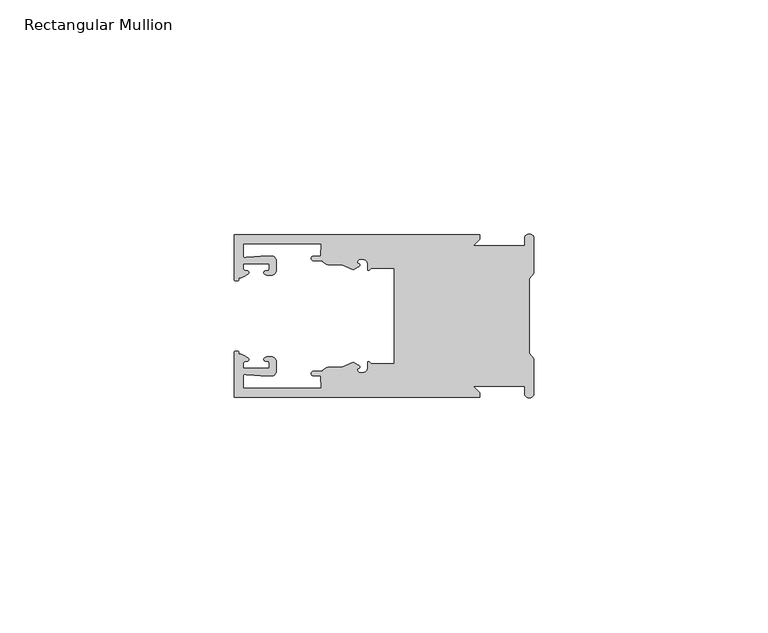
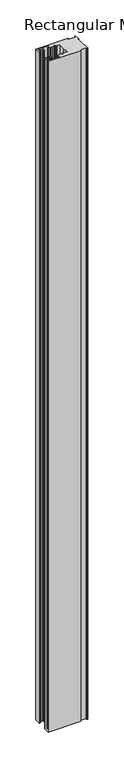
"""IFC4 building model written with IfcOpenShell, lengths in millimetres: member geometry, Rectangular Mullion."""

from ifc_helpers import new_model, si_unit, frame, origin, place, context, project, spatial, polyline, circle_curve, source, transform, mapped, element, save
from ifc_brep_helpers import plane_surface, cylinder_surface, revolved_surface, extruded_surface, spline_curve, advanced_brep


def rectangular_mullion_e4f1830d(model_context):
    return source(origin(), model_context, "Body", "AdvancedBrep", [
        advanced_brep(
        [(-11.5387897, 17.4000478, 0.0), (-64.0387868, 17.4000478, 0.0), (-64.0387868, 7.8350057, 0.0), (-63.2884687, 7.5412947, 0.0), (-62.4614154, 8.1921895, 0.0), (-62.0410649, 9.9426451, 0.0), (-62.0424168, 11.1926444, 0.0), (-56.54242, 11.1985924, 0.0), (-56.5410682, 9.9485931, 0.0), (-57.1085345, 8.7314723, 0.0), (-56.0397166, 8.6991345, 0.0), (-55.0407987, 9.7002154, 0.0), (-55.0430697, 11.8002142, 0.0), (-56.0446364, 12.7991315, 0.0), (-58.3650753, 12.7954945, 0.0), (-61.1340054, 12.5502269, 0.0), (-62.044093, 12.7426435, 0.0), (-62.0469668, 15.4000478, 0.0), (-45.4240312, 15.4000478, 0.0), (-45.5732135, 12.8000478, 0.0), (-47.0387868, 12.8000478, 0.0), (-47.0387868, 11.8000478, 0.0), (-45.2543363, 11.8000478, 0.0), (-43.6387868, 10.9000478, 0.0), (-41.0454034, 10.9000478, 0.0), (-38.5697136, 9.8718293, 0.0), (-37.5387868, 10.4670351, 0.0), (-37.6803436, 11.4201497, 0.0), (-37.0270763, 12.1583697, 0.0), (-36.2010815, 12.0127245, 0.0), (-35.54, 11.2248783, 0.0), (-35.54, 10.0, 0.0), (-34.7705791, 10.25, 0.0), (-29.79, 10.25, 0.0), (-29.79, 0.0, 0.0), (-29.79, -10.25, 0.0), (-34.7705791, -10.25, 0.0), (-35.54, -10.0, 0.0), (-35.54, -11.2248783, 0.0), (-36.2010815, -12.0127245, 0.0), (-37.0270763, -12.1583697, 0.0), (-37.6803436, -11.4201497, 0.0), (-37.5387868, -10.4670351, 0.0), (-38.5697136, -9.8718293, 0.0), (-41.0454034, -10.9000478, 0.0), (-43.6387868, -10.9000478, 0.0), (-45.2543363, -11.8000478, 0.0), (-47.0387868, -11.8000478, 0.0), (-47.0387868, -12.8000478, 0.0), (-45.5732135, -12.8000478, 0.0), (-45.4240312, -15.4000478, 0.0), (-62.0469668, -15.4000478, 0.0), (-62.044093, -12.7426435, 0.0), (-61.1340054, -12.5502269, 0.0), (-58.3650753, -12.7954945, 0.0), (-56.0446364, -12.7991314, 0.0), (-55.0430697, -11.8002142, 0.0), (-55.0407987, -9.7002154, 0.0), (-56.0397166, -8.6991345, 0.0), (-57.1085345, -8.7314723, 0.0), (-56.5410682, -9.9485931, 0.0), (-56.54242, -11.1985924, 0.0), (-62.0424168, -11.1926444, 0.0), (-62.0410649, -9.9426451, 0.0), (-62.4614154, -8.1921895, 0.0), (-63.2884687, -7.5412947, 0.0), (-64.0387868, -7.8350057, 0.0), (-64.0387868, -17.4000478, 0.0), (-11.5387897, -17.4000478, 0.0), (-11.5387897, -16.4000449, 0.0), (-12.9388346, -15.0, 0.0), (-2.0, -15.0, 0.0), (-2.0, -16.5, 0.0), (0.0, -16.5, 0.0), (0.0, -9.1160254, 0.0), (-1.0, -7.9613249, 0.0), (-1.0, 0.0, 0.0), (-1.0, 7.9613249, 0.0), (0.0, 9.1160254, 0.0), (0.0, 16.5, 0.0), (-2.0, 16.5, 0.0), (-2.0, 15.0, 0.0), (-12.9388346, 15.0, 0.0), (-11.5387897, 16.4000449, 0.0), (-11.5387897, 17.4000478, -1142.5000002), (-11.5387897, 16.4000449, -1142.5000002), (-12.9388346, 15.0, -1142.5000002), (-2.0, 15.0, -1142.5000002), (-2.0, 16.5, -1142.5000002), (0.0, 16.5, -1142.5000002), (0.0, 9.1160254, -1142.5000002), (-1.0, 7.9613249, -1142.5000002), (-1.0, 0.0, -1142.5000002), (-1.0, -7.9613249, -1142.5000002), (0.0, -9.1160254, -1142.5000002), (0.0, -16.5, -1142.5000002), (-2.0, -16.5, -1142.5000002), (-2.0, -15.0, -1142.5000002), (-12.9388346, -15.0, -1142.5000002), (-11.5387897, -16.4000449, -1142.5000002), (-11.5387897, -17.4000478, -1142.5000002), (-64.0387868, -17.4000478, -1142.5000002), (-64.0387868, -7.8350057, -1142.5000002), (-63.2884687, -7.5412947, -1142.5000002), (-62.4614154, -8.1921895, -1142.5000002), (-62.0410649, -9.9426451, -1142.5000002), (-62.0424168, -11.1926444, -1142.5000002), (-56.54242, -11.1985924, -1142.5000002), (-56.5410682, -9.9485931, -1142.5000002), (-57.1085345, -8.7314723, -1142.5000002), (-56.0397166, -8.6991345, -1142.5000002), (-55.0407987, -9.7002154, -1142.5000002), (-55.0430697, -11.8002142, -1142.5000002), (-56.0446364, -12.7991315, -1142.5000002), (-58.3650753, -12.7954945, -1142.5000002), (-61.1340054, -12.5502269, -1142.5000002), (-62.044093, -12.7426435, -1142.5000002), (-62.0469668, -15.4000478, -1142.5000002), (-45.4240312, -15.4000478, -1142.5000002), (-45.5732135, -12.8000478, -1142.5000002), (-47.0387868, -12.8000478, -1142.5000002), (-47.0387868, -11.8000478, -1142.5000002), (-45.2543363, -11.8000478, -1142.5000002), (-43.6387868, -10.9000478, -1142.5000002), (-41.0454034, -10.9000478, -1142.5000002), (-38.5697136, -9.8718293, -1142.5000002), (-37.5387868, -10.4670351, -1142.5000002), (-37.6803436, -11.4201497, -1142.5000002), (-37.0270763, -12.1583697, -1142.5000002), (-36.2010815, -12.0127245, -1142.5000002), (-35.54, -11.2248783, -1142.5000002), (-35.54, -10.0, -1142.5000002), (-34.7705791, -10.25, -1142.5000002), (-29.79, -10.25, -1142.5000002), (-29.79, 0.0, -1142.5000002), (-29.79, 10.25, -1142.5000002), (-34.7705791, 10.25, -1142.5000002), (-35.54, 10.0, -1142.5000002), (-35.54, 11.2248783, -1142.5000002), (-36.2010815, 12.0127245, -1142.5000002), (-37.0270763, 12.1583697, -1142.5000002), (-37.6803436, 11.4201497, -1142.5000002), (-37.5387868, 10.4670351, -1142.5000002), (-38.5697136, 9.8718293, -1142.5000002), (-41.0454034, 10.9000478, -1142.5000002), (-43.6387868, 10.9000478, -1142.5000002), (-45.2543363, 11.8000478, -1142.5000002), (-47.0387868, 11.8000478, -1142.5000002), (-47.0387868, 12.8000478, -1142.5000002), (-45.5732135, 12.8000478, -1142.5000002), (-45.4240312, 15.4000478, -1142.5000002), (-62.0469668, 15.4000478, -1142.5000002), (-62.044093, 12.7426435, -1142.5000002), (-61.1340054, 12.5502269, -1142.5000002), (-58.3650753, 12.7954945, -1142.5000002), (-56.0446364, 12.7991314, -1142.5000002), (-55.0430697, 11.8002142, -1142.5000002), (-55.0407987, 9.7002154, -1142.5000002), (-56.0397166, 8.6991345, -1142.5000002), (-57.1085345, 8.7314723, -1142.5000002), (-56.5410682, 9.9485931, -1142.5000002), (-56.54242, 11.1985924, -1142.5000002), (-62.0424168, 11.1926444, -1142.5000002), (-62.0410649, 9.9426451, -1142.5000002), (-62.4614154, 8.1921895, -1142.5000002), (-63.2884687, 7.5412947, -1142.5000002), (-64.0387868, 7.8350057, -1142.5000002), (-64.0387868, 17.4000478, -1142.5000002)],
        [
            (0, 1),
            (1, 2),
            (2, 3, spline_curve(3, [(-64.0387868, 7.8350057, 0.0), (-64.038491377, 7.561831774, 0.0), (-63.788385325, 7.463928087, 0.0), (-63.2884687, 7.5412947, 0.0)], [4, 4], [0.0, 0.0019169337574178654])),
            (3, 4, spline_curve(3, [(-63.2884687, 7.5412947, 0.0), (-63.057760917, 7.582232011, 0.0), (-63.018445067, 7.725390894, 0.0), (-63.019925494, 8.056436881, 0.0), (-63.103444208, 8.236386866, 0.0), (-62.4614154, 8.1921895, 0.0)], [4, 2, 4], [0.0, 0.0010199524164107188, 0.0024874514725970356])),
            (4, 5, spline_curve(3, [(-62.4614154, 8.1921895, 0.0), (-60.988497673, 8.880962536, 0.0), (-60.794045122, 9.192776957, 0.0), (-60.949808078, 9.57023562, 0.0), (-61.145214014, 9.682771697, 0.0), (-61.665835706, 9.714019003, 0.0), (-61.965242574, 9.660891484, 0.0), (-62.0410649, 9.9426451, 0.0)], [4, 2, 2, 4], [0.0, 0.003269869179570428, 0.005490050486237203, 0.0073545767114364426])),
            (5, 6),
            (6, 7),
            (7, 8),
            (8, 9, spline_curve(3, [(-56.5410682, 9.9485931, 0.0), (-56.634838635, 9.597117104, 0.0), (-56.904956774, 9.698238818, 0.0), (-57.324171444, 9.731086209, 0.0), (-57.45969165, 9.646199885, 0.0), (-57.729003352, 9.346016011, 0.0), (-57.859492582, 9.113082158, 0.0), (-57.1085345, 8.7314723, 0.0)], [4, 2, 2, 4], [0.0, 0.001593963049934732, 0.0033360256320283306, 0.005339140673503943])),
            (9, 10),
            (10, 11, circle_curve(frame((-56.0407981, 9.699134, 0.0), z_axis=(0.0, 0.0, 1.0), x_axis=(0.0010814451158627505, -0.9999994152380598, 0.0)), 1.0)),
            (11, 12),
            (12, 13, circle_curve(frame((-56.0430691, 11.7991327, 0.0), z_axis=(0.0, 0.0, 1.0), x_axis=(0.0010814451158627505, -0.9999994152380598, 0.0)), 1.0)),
            (13, 14),
            (14, 15),
            (15, 16, spline_curve(3, [(-61.1340054, 12.5502269, 0.0), (-61.605485428, 12.508463911, 0.0), (-61.992111419, 12.303164326, 0.0), (-62.044093, 12.7426435, 0.0)], [4, 4], [0.0, 0.0014803385355886016])),
            (16, 17),
            (17, 18),
            (18, 19),
            (19, 20),
            (20, 21, circle_curve(frame((-47.0387868, 12.3000478, 0.0), z_axis=(0.0, 0.0, 1.0), x_axis=(0.0, -1.0, 0.0)), 0.5)),
            (21, 22),
            (22, 23, circle_curve(frame((-43.6387868, 12.8000478, 0.0), z_axis=(0.0, 0.0, 1.0), x_axis=(0.0, -1.0, 0.0)), 1.9)),
            (23, 24),
            (24, 25),
            (25, 26),
            (26, 27, spline_curve(3, [(-37.5387868, 10.4670351, 0.0), (-36.973919853, 10.833863985, 0.0), (-37.198159645, 11.135696286, 0.0), (-37.587892011, 11.260246073, 0.0), (-37.754584192, 11.180452419, 0.0), (-37.6803436, 11.4201497, 0.0)], [4, 2, 4], [0.0, 0.0019283703160353726, 0.003394584635652914])),
            (27, 28, circle_curve(frame((-37.0434863, 11.5147359, 0.0), z_axis=(0.0, 0.0, -1.0), x_axis=(0.0, -1.0, 0.0)), 0.643843)),
            (28, 29),
            (29, 30, circle_curve(frame((-36.34, 11.2248783, 0.0), z_axis=(0.0, 0.0, -1.0), x_axis=(0.0, -1.0, 0.0)), 0.8)),
            (30, 31),
            (31, 32, spline_curve(3, [(-35.54, 10.0, 0.0), (-35.440000238, 9.598293201, 0.0), (-35.183526594, 9.681626535, 0.0), (-34.7705791, 10.25, 0.0)], [4, 4], [0.0, 0.0027473296990141553])),
            (32, 33),
            (33, 34),
            (34, 35),
            (35, 36),
            (36, 37, spline_curve(3, [(-34.7705791, -10.25, 0.0), (-35.183526594, -9.681626535, 0.0), (-35.440000238, -9.598293201, 0.0), (-35.54, -10.0, 0.0)], [4, 4], [0.0, 0.0027473296990141553])),
            (37, 38),
            (38, 39, circle_curve(frame((-36.34, -11.2248783, 0.0), z_axis=(0.0, 0.0, -1.0), x_axis=(0.0, 1.0, 0.0)), 0.8)),
            (39, 40),
            (40, 41, circle_curve(frame((-37.0434863, -11.5147359, 0.0), z_axis=(0.0, 0.0, -1.0), x_axis=(0.0, 1.0, 0.0)), 0.643843)),
            (41, 42, spline_curve(3, [(-37.6803436, -11.4201497, 0.0), (-37.754584192, -11.180452419, 0.0), (-37.587892011, -11.260246073, 0.0), (-37.198159645, -11.135696286, 0.0), (-36.973919853, -10.833863985, 0.0), (-37.5387868, -10.4670351, 0.0)], [4, 2, 4], [0.0, 0.0014662143196175414, 0.003394584635652914])),
            (42, 43),
            (43, 44),
            (44, 45),
            (45, 46, circle_curve(frame((-43.6387868, -12.8000478, 0.0), z_axis=(0.0, 0.0, 1.0), x_axis=(0.0, 1.0, 0.0)), 1.9)),
            (46, 47),
            (47, 48, circle_curve(frame((-47.0387868, -12.3000478, 0.0), z_axis=(0.0, 0.0, 1.0), x_axis=(0.0, 1.0, 0.0)), 0.5)),
            (48, 49),
            (49, 50),
            (50, 51),
            (51, 52),
            (52, 53, spline_curve(3, [(-62.044093, -12.7426435, 0.0), (-61.992111419, -12.303164326, 0.0), (-61.605485428, -12.508463911, 0.0), (-61.1340054, -12.5502269, 0.0)], [4, 4], [0.0, 0.0014803385355886016])),
            (53, 54),
            (54, 55),
            (55, 56, circle_curve(frame((-56.0430691, -11.7991327, 0.0), z_axis=(0.0, 0.0, 1.0), x_axis=(0.001081445115855867, 0.9999994152380598, 0.0)), 1.0)),
            (56, 57),
            (57, 58, circle_curve(frame((-56.0407981, -9.699134, 0.0), z_axis=(0.0, 0.0, 1.0), x_axis=(0.001081445115855867, 0.9999994152380598, 0.0)), 1.0)),
            (58, 59),
            (59, 60, spline_curve(3, [(-57.1085345, -8.7314723, 0.0), (-57.859492582, -9.113082158, 0.0), (-57.729003352, -9.346016011, 0.0), (-57.45969165, -9.646199885, 0.0), (-57.324171444, -9.731086209, 0.0), (-56.904956774, -9.698238818, 0.0), (-56.634838635, -9.597117104, 0.0), (-56.5410682, -9.9485931, 0.0)], [4, 2, 2, 4], [0.0, 0.002003115041475612, 0.0037451776235692107, 0.005339140673503943])),
            (60, 61),
            (61, 62),
            (62, 63),
            (63, 64, spline_curve(3, [(-62.0410649, -9.9426451, 0.0), (-61.965242574, -9.660891484, 0.0), (-61.665835706, -9.714019003, 0.0), (-61.145214014, -9.682771697, 0.0), (-60.949808078, -9.57023562, 0.0), (-60.794045122, -9.192776957, 0.0), (-60.988497673, -8.880962536, 0.0), (-62.4614154, -8.1921895, 0.0)], [4, 2, 2, 4], [0.0, 0.0018645262251992395, 0.004084707531866015, 0.0073545767114364426])),
            (64, 65, spline_curve(3, [(-62.4614154, -8.1921895, 0.0), (-63.103444208, -8.236386866, 0.0), (-63.019925494, -8.056436881, 0.0), (-63.018445067, -7.725390894, 0.0), (-63.057760917, -7.582232011, 0.0), (-63.2884687, -7.5412947, 0.0)], [4, 2, 4], [0.0, 0.0014674990561863168, 0.0024874514725970356])),
            (65, 66, spline_curve(3, [(-63.2884687, -7.5412947, 0.0), (-63.788385325, -7.463928087, 0.0), (-64.038491377, -7.561831774, 0.0), (-64.0387868, -7.8350057, 0.0)], [4, 4], [0.0, 0.0019169337574178654])),
            (66, 67),
            (67, 68),
            (68, 69),
            (69, 70),
            (70, 71),
            (71, 72),
            (72, 73, circle_curve(frame((-1.0, -16.5, 0.0), z_axis=(0.0, 0.0, 1.0), x_axis=(0.0, 1.0, 0.0)), 1.0)),
            (73, 74),
            (74, 75),
            (75, 76),
            (76, 77),
            (77, 78),
            (78, 79),
            (79, 80, circle_curve(frame((-1.0, 16.5, 0.0), z_axis=(0.0, 0.0, 1.0), x_axis=(0.0, -1.0, 0.0)), 1.0)),
            (80, 81),
            (81, 82),
            (82, 83),
            (83, 0),
            (84, 85),
            (85, 86),
            (86, 87),
            (87, 88),
            (88, 89, circle_curve(frame((-1.0, 16.5, -1142.5000002), z_axis=(0.0, 0.0, -1.0), x_axis=(0.0, -1.0, 0.0)), 1.0)),
            (89, 90),
            (90, 91),
            (91, 92),
            (92, 93),
            (93, 94),
            (94, 95),
            (95, 96, circle_curve(frame((-1.0, -16.5, -1142.5000002), z_axis=(0.0, 0.0, -1.0), x_axis=(0.0, 1.0, 0.0)), 1.0)),
            (96, 97),
            (97, 98),
            (98, 99),
            (99, 100),
            (100, 101),
            (101, 102),
            (102, 103, spline_curve(3, [(-64.0387868, -7.8350057, -1142.5000002), (-64.038491377, -7.561831774, -1142.5000002), (-63.788385325, -7.463928087, -1142.5000002), (-63.2884687, -7.5412947, -1142.5000002)], [4, 4], [0.0, 0.0019169337574178654])),
            (103, 104, spline_curve(3, [(-63.2884687, -7.5412947, -1142.5000002), (-63.057760917, -7.582232011, -1142.5000002), (-63.018445067, -7.725390894, -1142.5000002), (-63.019925494, -8.056436881, -1142.5000002), (-63.103444208, -8.236386866, -1142.5000002), (-62.4614154, -8.1921895, -1142.5000002)], [4, 2, 4], [0.0, 0.0010199524164107188, 0.0024874514725970356])),
            (104, 105, spline_curve(3, [(-62.4614154, -8.1921895, -1142.5000002), (-60.988497673, -8.880962536, -1142.5000002), (-60.794045122, -9.192776957, -1142.5000002), (-60.949808078, -9.57023562, -1142.5000002), (-61.145214014, -9.682771697, -1142.5000002), (-61.665835706, -9.714019003, -1142.5000002), (-61.965242574, -9.660891484, -1142.5000002), (-62.0410649, -9.9426451, -1142.5000002)], [4, 2, 2, 4], [0.0, 0.003269869179570428, 0.005490050486237203, 0.0073545767114364426])),
            (105, 106),
            (106, 107),
            (107, 108),
            (108, 109, spline_curve(3, [(-56.5410682, -9.9485931, -1142.5000002), (-56.634838635, -9.597117104, -1142.5000002), (-56.904956774, -9.698238818, -1142.5000002), (-57.324171444, -9.731086209, -1142.5000002), (-57.45969165, -9.646199885, -1142.5000002), (-57.729003352, -9.346016011, -1142.5000002), (-57.859492582, -9.113082158, -1142.5000002), (-57.1085345, -8.7314723, -1142.5000002)], [4, 2, 2, 4], [0.0, 0.001593963049934732, 0.0033360256320283306, 0.005339140673503943])),
            (109, 110),
            (110, 111, circle_curve(frame((-56.0407981, -9.699134, -1142.5000002), z_axis=(0.0, 0.0, -1.0), x_axis=(0.001081445115855867, 0.9999994152380598, 0.0)), 1.0)),
            (111, 112),
            (112, 113, circle_curve(frame((-56.0430691, -11.7991327, -1142.5000002), z_axis=(0.0, 0.0, -1.0), x_axis=(0.001081445115855867, 0.9999994152380598, 0.0)), 1.0)),
            (113, 114),
            (114, 115),
            (115, 116, spline_curve(3, [(-61.1340054, -12.5502269, -1142.5000002), (-61.605485428, -12.508463911, -1142.5000002), (-61.992111419, -12.303164326, -1142.5000002), (-62.044093, -12.7426435, -1142.5000002)], [4, 4], [0.0, 0.0014803385355886016])),
            (116, 117),
            (117, 118),
            (118, 119),
            (119, 120),
            (120, 121, circle_curve(frame((-47.0387868, -12.3000478, -1142.5000002), z_axis=(0.0, 0.0, -1.0), x_axis=(0.0, 1.0, 0.0)), 0.5)),
            (121, 122),
            (122, 123, circle_curve(frame((-43.6387868, -12.8000478, -1142.5000002), z_axis=(0.0, 0.0, -1.0), x_axis=(0.0, 1.0, 0.0)), 1.9)),
            (123, 124),
            (124, 125),
            (125, 126),
            (126, 127, spline_curve(3, [(-37.5387868, -10.4670351, -1142.5000002), (-36.973919853, -10.833863985, -1142.5000002), (-37.198159645, -11.135696286, -1142.5000002), (-37.587892011, -11.260246073, -1142.5000002), (-37.754584192, -11.180452419, -1142.5000002), (-37.6803436, -11.4201497, -1142.5000002)], [4, 2, 4], [0.0, 0.0019283703160353726, 0.003394584635652914])),
            (127, 128, circle_curve(frame((-37.0434863, -11.5147359, -1142.5000002), z_axis=(0.0, 0.0, 1.0), x_axis=(0.0, 1.0, 0.0)), 0.643843)),
            (128, 129),
            (129, 130, circle_curve(frame((-36.34, -11.2248783, -1142.5000002), z_axis=(0.0, 0.0, 1.0), x_axis=(0.0, 1.0, 0.0)), 0.8)),
            (130, 131),
            (131, 132, spline_curve(3, [(-35.54, -10.0, -1142.5000002), (-35.440000238, -9.598293201, -1142.5000002), (-35.183526594, -9.681626535, -1142.5000002), (-34.7705791, -10.25, -1142.5000002)], [4, 4], [0.0, 0.0027473296990141553])),
            (132, 133),
            (133, 134),
            (134, 135),
            (135, 136),
            (136, 137, spline_curve(3, [(-34.7705791, 10.25, -1142.5000002), (-35.183526594, 9.681626535, -1142.5000002), (-35.440000238, 9.598293201, -1142.5000002), (-35.54, 10.0, -1142.5000002)], [4, 4], [0.0, 0.0027473296990141553])),
            (137, 138),
            (138, 139, circle_curve(frame((-36.34, 11.2248783, -1142.5000002), z_axis=(0.0, 0.0, 1.0), x_axis=(0.0, -1.0, 0.0)), 0.8)),
            (139, 140),
            (140, 141, circle_curve(frame((-37.0434863, 11.5147359, -1142.5000002), z_axis=(0.0, 0.0, 1.0), x_axis=(0.0, -1.0, 0.0)), 0.643843)),
            (141, 142, spline_curve(3, [(-37.6803436, 11.4201497, -1142.5000002), (-37.754584192, 11.180452419, -1142.5000002), (-37.587892011, 11.260246073, -1142.5000002), (-37.198159645, 11.135696286, -1142.5000002), (-36.973919853, 10.833863985, -1142.5000002), (-37.5387868, 10.4670351, -1142.5000002)], [4, 2, 4], [0.0, 0.0014662143196175414, 0.003394584635652914])),
            (142, 143),
            (143, 144),
            (144, 145),
            (145, 146, circle_curve(frame((-43.6387868, 12.8000478, -1142.5000002), z_axis=(0.0, 0.0, -1.0), x_axis=(0.0, -1.0, 0.0)), 1.9)),
            (146, 147),
            (147, 148, circle_curve(frame((-47.0387868, 12.3000478, -1142.5000002), z_axis=(0.0, 0.0, -1.0), x_axis=(0.0, -1.0, 0.0)), 0.5)),
            (148, 149),
            (149, 150),
            (150, 151),
            (151, 152),
            (152, 153, spline_curve(3, [(-62.044093, 12.7426435, -1142.5000002), (-61.992111419, 12.303164326, -1142.5000002), (-61.605485428, 12.508463911, -1142.5000002), (-61.1340054, 12.5502269, -1142.5000002)], [4, 4], [0.0, 0.0014803385355886016])),
            (153, 154),
            (154, 155),
            (155, 156, circle_curve(frame((-56.0430691, 11.7991327, -1142.5000002), z_axis=(0.0, 0.0, -1.0), x_axis=(0.0010814451158627505, -0.9999994152380598, 0.0)), 1.0)),
            (156, 157),
            (157, 158, circle_curve(frame((-56.0407981, 9.699134, -1142.5000002), z_axis=(0.0, 0.0, -1.0), x_axis=(0.0010814451158627505, -0.9999994152380598, 0.0)), 1.0)),
            (158, 159),
            (159, 160, spline_curve(3, [(-57.1085345, 8.7314723, -1142.5000002), (-57.859492582, 9.113082158, -1142.5000002), (-57.729003352, 9.346016011, -1142.5000002), (-57.45969165, 9.646199885, -1142.5000002), (-57.324171444, 9.731086209, -1142.5000002), (-56.904956774, 9.698238818, -1142.5000002), (-56.634838635, 9.597117104, -1142.5000002), (-56.5410682, 9.9485931, -1142.5000002)], [4, 2, 2, 4], [0.0, 0.002003115041475612, 0.0037451776235692107, 0.005339140673503943])),
            (160, 161),
            (161, 162),
            (162, 163),
            (163, 164, spline_curve(3, [(-62.0410649, 9.9426451, -1142.5000002), (-61.965242574, 9.660891484, -1142.5000002), (-61.665835706, 9.714019003, -1142.5000002), (-61.145214014, 9.682771697, -1142.5000002), (-60.949808078, 9.57023562, -1142.5000002), (-60.794045122, 9.192776957, -1142.5000002), (-60.988497673, 8.880962536, -1142.5000002), (-62.4614154, 8.1921895, -1142.5000002)], [4, 2, 2, 4], [0.0, 0.0018645262251992395, 0.004084707531866015, 0.0073545767114364426])),
            (164, 165, spline_curve(3, [(-62.4614154, 8.1921895, -1142.5000002), (-63.103444208, 8.236386866, -1142.5000002), (-63.019925494, 8.056436881, -1142.5000002), (-63.018445067, 7.725390894, -1142.5000002), (-63.057760917, 7.582232011, -1142.5000002), (-63.2884687, 7.5412947, -1142.5000002)], [4, 2, 4], [0.0, 0.0014674990561863168, 0.0024874514725970356])),
            (165, 166, spline_curve(3, [(-63.2884687, 7.5412947, -1142.5000002), (-63.788385325, 7.463928087, -1142.5000002), (-64.038491377, 7.561831774, -1142.5000002), (-64.0387868, 7.8350057, -1142.5000002)], [4, 4], [0.0, 0.0019169337574178654])),
            (166, 167),
            (167, 84),
            (0, 84),
            (167, 1),
            (166, 2),
            (165, 3),
            (164, 4),
            (163, 5),
            (162, 6),
            (161, 7),
            (160, 8),
            (159, 9),
            (158, 10),
            (157, 11),
            (156, 12),
            (155, 13),
            (154, 14),
            (153, 15),
            (152, 16),
            (151, 17),
            (150, 18),
            (149, 19),
            (148, 20),
            (147, 21),
            (146, 22),
            (145, 23),
            (144, 24),
            (143, 25),
            (142, 26),
            (141, 27),
            (140, 28),
            (139, 29),
            (138, 30),
            (137, 31),
            (136, 32),
            (135, 33),
            (134, 34),
            (133, 35),
            (132, 36),
            (131, 37),
            (130, 38),
            (129, 39),
            (128, 40),
            (127, 41),
            (126, 42),
            (125, 43),
            (124, 44),
            (123, 45),
            (122, 46),
            (121, 47),
            (120, 48),
            (119, 49),
            (118, 50),
            (117, 51),
            (116, 52),
            (115, 53),
            (114, 54),
            (113, 55),
            (112, 56),
            (111, 57),
            (110, 58),
            (109, 59),
            (108, 60),
            (107, 61),
            (106, 62),
            (105, 63),
            (104, 64),
            (103, 65),
            (102, 66),
            (101, 67),
            (100, 68),
            (99, 69),
            (98, 70),
            (97, 71),
            (96, 72),
            (95, 73),
            (94, 74),
            (93, 75),
            (92, 76),
            (91, 77),
            (90, 78),
            (89, 79),
            (88, 80),
            (87, 81),
            (86, 82),
            (85, 83),
        ],
        [
            plane_surface(frame((0.0, -66.3605898, 0.0), z_axis=(0.0, 0.0, 1.0), x_axis=(-1.0, 0.0, 0.0))),
            plane_surface(frame((0.0, -66.3605898, -1142.5000002), z_axis=(0.0, 0.0, -1.0), x_axis=(-1.0, 0.0, 0.0))),
            plane_surface(frame((-11.5387897, 17.4000478, 0.0), z_axis=(0.0, 1.0, 0.0), x_axis=(0.0, 0.0, -1.0))),
            plane_surface(frame((-64.0387868, 17.4000478, 0.0), z_axis=(-1.0, 0.0, 0.0), x_axis=(0.0, 0.0, -1.0))),
            extruded_surface(spline_curve(3, [(-64.0387868, 7.8350057, -1142.5000002), (-64.038491377, 7.561831774, -1142.5000002), (-63.788385325, 7.463928087, -1142.5000002), (-63.2884687, 7.5412947, -1142.5000002)], [4, 4], [0.0, 0.0019169337574178654]), (0.0, 0.0, 1142.5000002), 1142.5000002),
            extruded_surface(spline_curve(3, [(-63.2884687, 7.5412947, -1142.5000002), (-63.057760917, 7.582232011, -1142.5000002), (-63.018445067, 7.725390894, -1142.5000002), (-63.019925494, 8.056436881, -1142.5000002), (-63.103444208, 8.236386866, -1142.5000002), (-62.4614154, 8.1921895, -1142.5000002)], [4, 2, 4], [0.0, 0.0010199524164107188, 0.0024874514725970356]), (0.0, 0.0, 1142.5000002), 1142.5000002),
            extruded_surface(spline_curve(3, [(-62.4614154, 8.1921895, -1142.5000002), (-60.988497673, 8.880962536, -1142.5000002), (-60.794045122, 9.192776957, -1142.5000002), (-60.949808078, 9.57023562, -1142.5000002), (-61.145214014, 9.682771697, -1142.5000002), (-61.665835706, 9.714019003, -1142.5000002), (-61.965242574, 9.660891484, -1142.5000002), (-62.0410649, 9.9426451, -1142.5000002)], [4, 2, 2, 4], [0.0, 0.003269869179570428, 0.005490050486237203, 0.0073545767114364426]), (0.0, 0.0, 1142.5000002), 1142.5000002),
            plane_surface(frame((-62.0410649, 9.9426451, 0.0), z_axis=(0.9999994152380598, 0.0010814451158593665, 0.0), x_axis=(0.0, 0.0, -1.0))),
            plane_surface(frame((-62.0424168, 11.1926444, 0.0), z_axis=(0.0010814451158611391, -0.9999994152380598, 0.0), x_axis=(0.0, 0.0, -1.0))),
            plane_surface(frame((-56.54242, 11.1985924, 0.0), z_axis=(-0.9999994152380598, -0.0010814451158584516, 0.0), x_axis=(0.0, 0.0, -1.0))),
            extruded_surface(spline_curve(3, [(-56.5410682, 9.9485931, -1142.5000002), (-56.634838635, 9.597117104, -1142.5000002), (-56.904956774, 9.698238818, -1142.5000002), (-57.324171444, 9.731086209, -1142.5000002), (-57.45969165, 9.646199885, -1142.5000002), (-57.729003352, 9.346016011, -1142.5000002), (-57.859492582, 9.113082158, -1142.5000002), (-57.1085345, 8.7314723, -1142.5000002)], [4, 2, 2, 4], [0.0, 0.001593963049934732, 0.0033360256320283306, 0.005339140673503943]), (0.0, 0.0, 1142.5000002), 1142.5000002),
            plane_surface(frame((-57.1085345, 8.7314723, 0.0), z_axis=(-0.030241832452869922, -0.9995426111826813, 0.0), x_axis=(0.0, 0.0, -1.0))),
            cylinder_surface(frame((-56.0407981, 9.699134, 0.0), z_axis=(0.0, 0.0, 1.0000000000000002), x_axis=(0.0010814451158627505, -0.9999994152380598, 0.0)), 1.0),
            plane_surface(frame((-55.0407987, 9.7002154, 0.0), z_axis=(0.9999994152380598, 0.001081445115858722, 0.0), x_axis=(0.0, 0.0, -1.0))),
            cylinder_surface(frame((-56.0430691, 11.7991327, 0.0), z_axis=(0.0, 0.0, 1.0000000000000002), x_axis=(0.0010814451158627505, -0.9999994152380598, 0.0)), 1.0),
            plane_surface(frame((-56.0446364, 12.7991314, 0.0), z_axis=(-0.0015673183327907744, 0.9999987717558677, 0.0), x_axis=(0.0, 0.0, -1.0))),
            plane_surface(frame((-58.3650753, 12.7954945, 0.0), z_axis=(-0.08823302167299531, 0.9960998614026874, 0.0), x_axis=(0.0, 0.0, -1.0))),
            extruded_surface(spline_curve(3, [(-61.1340054, 12.5502269, -1142.5000002), (-61.605485428, 12.508463911, -1142.5000002), (-61.992111419, 12.303164326, -1142.5000002), (-62.044093, 12.7426435, -1142.5000002)], [4, 4], [0.0, 0.0014803385355886016]), (0.0, 0.0, 1142.5000002), 1142.5000002),
            plane_surface(frame((-62.044093, 12.7426435, 0.0), z_axis=(0.9999994152380598, 0.0010814451158597813, 0.0), x_axis=(0.0, 0.0, -1.0))),
            plane_surface(frame((-62.0469668, 15.4000478, 0.0), z_axis=(0.0, -1.0, 0.0), x_axis=(0.0, 0.0, -1.0))),
            plane_surface(frame((-45.4240312, 15.4000478, 0.0), z_axis=(-0.9983579461523547, 0.05728360458675776, 0.0), x_axis=(0.0, 0.0, -1.0))),
            plane_surface(frame((-45.5732135, 12.8000478, 0.0), z_axis=(0.0, 1.0, 0.0), x_axis=(0.0, 0.0, -1.0))),
            cylinder_surface(frame((-47.0387868, 12.3000478, 0.0), z_axis=(0.0, 0.0, 1.0), x_axis=(0.0, -1.0, 0.0)), 0.5),
            plane_surface(frame((-47.0387868, 11.8000478, 0.0), z_axis=(0.0, -1.0, 0.0), x_axis=(0.0, 0.0, -1.0))),
            cylinder_surface(frame((-43.6387868, 12.8000478, 0.0), z_axis=(0.0, 0.0, 1.0), x_axis=(0.0, -1.0, 0.0)), 1.9),
            plane_surface(frame((-43.6387868, 10.9000478, 0.0), z_axis=(0.0, -1.0, 0.0), x_axis=(0.0, 0.0, -1.0))),
            plane_surface(frame((-41.0454034, 10.9000478, 0.0), z_axis=(-0.3835602140750569, -0.9235158700199453, 0.0), x_axis=(0.0, 0.0, -1.0))),
            plane_surface(frame((-38.5697136, 9.8718293, 0.0), z_axis=(0.5000000000252295, -0.8660254037698725, 0.0), x_axis=(0.0, 0.0, -1.0))),
            extruded_surface(spline_curve(3, [(-37.5387868, 10.4670351, -1142.5000002), (-36.973919853, 10.833863985, -1142.5000002), (-37.198159645, 11.135696286, -1142.5000002), (-37.587892011, 11.260246073, -1142.5000002), (-37.754584192, 11.180452419, -1142.5000002), (-37.6803436, 11.4201497, -1142.5000002)], [4, 2, 4], [0.0, 0.0019283703160353726, 0.003394584635652914]), (0.0, 0.0, 1142.5000002), 1142.5000002),
            revolved_surface(polyline([(-37.0434863, 10.8708929, -1142.5000002), (-37.0434863, 10.8708929, 0.0)]), (-37.0434863, 11.5147359, 0.0), (0.0, 0.0, -1.0)),
            plane_surface(frame((-37.0270763, 12.1583697, 0.0), z_axis=(-0.17364817767050408, -0.984807753011578, 0.0), x_axis=(0.0, 0.0, -1.0))),
            revolved_surface(polyline([(-36.34, 10.4248783, -1142.5000002), (-36.34, 10.4248783, 0.0)]), (-36.34, 11.2248783, 0.0), (0.0, 0.0, -1.0)),
            plane_surface(frame((-35.54, 11.2248783, 0.0), z_axis=(-1.0, 0.0, 0.0), x_axis=(0.0, 0.0, -1.0))),
            extruded_surface(spline_curve(3, [(-35.54, 10.0, -1142.5000002), (-35.440000238, 9.598293201, -1142.5000002), (-35.183526594, 9.681626535, -1142.5000002), (-34.7705791, 10.25, -1142.5000002)], [4, 4], [0.0, 0.0027473296990141553]), (0.0, 0.0, 1142.5000002), 1142.5000002),
            plane_surface(frame((-34.7705791, 10.25, 0.0), z_axis=(0.0, -1.0, 0.0), x_axis=(0.0, 0.0, -1.0))),
            plane_surface(frame((-29.79, 10.25, 0.0), z_axis=(-1.0, 0.0, 0.0), x_axis=(0.0, 0.0, -1.0))),
            plane_surface(frame((-29.79, 0.0, 0.0), z_axis=(-1.0, 0.0, 0.0), x_axis=(0.0, 0.0, -1.0))),
            plane_surface(frame((-29.79, -10.25, 0.0), z_axis=(0.0, 1.0, 0.0), x_axis=(0.0, 0.0, -1.0))),
            extruded_surface(spline_curve(3, [(-34.7705791, -10.25, -1142.5000002), (-35.183526594, -9.681626535, -1142.5000002), (-35.440000238, -9.598293201, -1142.5000002), (-35.54, -10.0, -1142.5000002)], [4, 4], [0.0, 0.0027473296990141553]), (0.0, 0.0, 1142.5000002), 1142.5000002),
            plane_surface(frame((-35.54, -10.0, 0.0), z_axis=(-1.0, 0.0, 0.0), x_axis=(0.0, 0.0, -1.0))),
            revolved_surface(polyline([(-36.34, -10.4248783, -1142.5000002), (-36.34, -10.4248783, 0.0)]), (-36.34, -11.2248783, 0.0), (0.0, 0.0, -1.0)),
            plane_surface(frame((-36.2010815, -12.0127245, 0.0), z_axis=(-0.17364817767051083, 0.9848077530115767, 0.0), x_axis=(0.0, 0.0, -1.0))),
            revolved_surface(polyline([(-37.0434863, -10.8708929, -1142.5000002), (-37.0434863, -10.8708929, 0.0)]), (-37.0434863, -11.5147359, 0.0), (0.0, 0.0, -1.0)),
            extruded_surface(spline_curve(3, [(-37.6803436, -11.4201497, -1142.5000002), (-37.754584192, -11.180452419, -1142.5000002), (-37.587892011, -11.260246073, -1142.5000002), (-37.198159645, -11.135696286, -1142.5000002), (-36.973919853, -10.833863985, -1142.5000002), (-37.5387868, -10.4670351, -1142.5000002)], [4, 2, 4], [0.0, 0.0014662143196175414, 0.003394584635652914]), (0.0, 0.0, 1142.5000002), 1142.5000002),
            plane_surface(frame((-37.5387868, -10.4670351, 0.0), z_axis=(0.5000000000252234, 0.8660254037698759, 0.0), x_axis=(0.0, 0.0, -1.0))),
            plane_surface(frame((-38.5697136, -9.8718293, 0.0), z_axis=(-0.38356021407506324, 0.9235158700199426, 0.0), x_axis=(0.0, 0.0, -1.0))),
            plane_surface(frame((-41.0454034, -10.9000478, 0.0), z_axis=(0.0, 1.0, 0.0), x_axis=(0.0, 0.0, -1.0))),
            cylinder_surface(frame((-43.6387868, -12.8000478, 0.0), z_axis=(0.0, 0.0, 1.0), x_axis=(0.0, 1.0, 0.0)), 1.9),
            plane_surface(frame((-45.2543363, -11.8000478, 0.0), z_axis=(0.0, 1.0, 0.0), x_axis=(0.0, 0.0, -1.0))),
            cylinder_surface(frame((-47.0387868, -12.3000478, 0.0), z_axis=(0.0, 0.0, 1.0), x_axis=(0.0, 1.0, 0.0)), 0.5),
            plane_surface(frame((-47.0387868, -12.8000478, 0.0), z_axis=(0.0, -1.0, 0.0), x_axis=(0.0, 0.0, -1.0))),
            plane_surface(frame((-45.5732135, -12.8000478, 0.0), z_axis=(-0.9983579461523543, -0.05728360458676463, 0.0), x_axis=(0.0, 0.0, -1.0))),
            plane_surface(frame((-45.4240312, -15.4000478, 0.0), z_axis=(0.0, 1.0, 0.0), x_axis=(0.0, 0.0, -1.0))),
            plane_surface(frame((-62.0469668, -15.4000478, 0.0), z_axis=(0.9999994152380598, -0.001081445115852898, 0.0), x_axis=(0.0, 0.0, -1.0))),
            extruded_surface(spline_curve(3, [(-62.044093, -12.7426435, -1142.5000002), (-61.992111419, -12.303164326, -1142.5000002), (-61.605485428, -12.508463911, -1142.5000002), (-61.1340054, -12.5502269, -1142.5000002)], [4, 4], [0.0, 0.0014803385355886016]), (0.0, 0.0, 1142.5000002), 1142.5000002),
            plane_surface(frame((-61.1340054, -12.5502269, 0.0), z_axis=(-0.08823302167298844, -0.9960998614026879, 0.0), x_axis=(0.0, 0.0, -1.0))),
            plane_surface(frame((-58.3650753, -12.7954945, 0.0), z_axis=(-0.001567318332783891, -0.9999987717558677, 0.0), x_axis=(0.0, 0.0, -1.0))),
            cylinder_surface(frame((-56.0430691, -11.7991327, 0.0), z_axis=(0.0, 0.0, 1.0000000000000002), x_axis=(0.001081445115855867, 0.9999994152380598, 0.0)), 1.0),
            plane_surface(frame((-55.0430697, -11.8002142, 0.0), z_axis=(0.9999994152380598, -0.0010814451158518386, 0.0), x_axis=(0.0, 0.0, -1.0))),
            cylinder_surface(frame((-56.0407981, -9.699134, 0.0), z_axis=(0.0, 0.0, 1.0000000000000002), x_axis=(0.001081445115855867, 0.9999994152380598, 0.0)), 1.0),
            plane_surface(frame((-56.0397166, -8.6991345, 0.0), z_axis=(-0.030241832452876805, 0.9995426111826811, 0.0), x_axis=(0.0, 0.0, -1.0))),
            extruded_surface(spline_curve(3, [(-57.1085345, -8.7314723, -1142.5000002), (-57.859492582, -9.113082158, -1142.5000002), (-57.729003352, -9.346016011, -1142.5000002), (-57.45969165, -9.646199885, -1142.5000002), (-57.324171444, -9.731086209, -1142.5000002), (-56.904956774, -9.698238818, -1142.5000002), (-56.634838635, -9.597117104, -1142.5000002), (-56.5410682, -9.9485931, -1142.5000002)], [4, 2, 2, 4], [0.0, 0.002003115041475612, 0.0037451776235692107, 0.005339140673503943]), (0.0, 0.0, 1142.5000002), 1142.5000002),
            plane_surface(frame((-56.5410682, -9.9485931, 0.0), z_axis=(-0.9999994152380598, 0.0010814451158515682, 0.0), x_axis=(0.0, 0.0, -1.0))),
            plane_surface(frame((-56.54242, -11.1985924, 0.0), z_axis=(0.0010814451158542558, 0.9999994152380598, 0.0), x_axis=(0.0, 0.0, -1.0))),
            plane_surface(frame((-62.0424168, -11.1926444, 0.0), z_axis=(0.9999994152380598, -0.001081445115852483, 0.0), x_axis=(0.0, 0.0, -1.0))),
            extruded_surface(spline_curve(3, [(-62.0410649, -9.9426451, -1142.5000002), (-61.965242574, -9.660891484, -1142.5000002), (-61.665835706, -9.714019003, -1142.5000002), (-61.145214014, -9.682771697, -1142.5000002), (-60.949808078, -9.57023562, -1142.5000002), (-60.794045122, -9.192776957, -1142.5000002), (-60.988497673, -8.880962536, -1142.5000002), (-62.4614154, -8.1921895, -1142.5000002)], [4, 2, 2, 4], [0.0, 0.0018645262251992395, 0.004084707531866015, 0.0073545767114364426]), (0.0, 0.0, 1142.5000002), 1142.5000002),
            extruded_surface(spline_curve(3, [(-62.4614154, -8.1921895, -1142.5000002), (-63.103444208, -8.236386866, -1142.5000002), (-63.019925494, -8.056436881, -1142.5000002), (-63.018445067, -7.725390894, -1142.5000002), (-63.057760917, -7.582232011, -1142.5000002), (-63.2884687, -7.5412947, -1142.5000002)], [4, 2, 4], [0.0, 0.0014674990561863168, 0.0024874514725970356]), (0.0, 0.0, 1142.5000002), 1142.5000002),
            extruded_surface(spline_curve(3, [(-63.2884687, -7.5412947, -1142.5000002), (-63.788385325, -7.463928087, -1142.5000002), (-64.038491377, -7.561831774, -1142.5000002), (-64.0387868, -7.8350057, -1142.5000002)], [4, 4], [0.0, 0.0019169337574178654]), (0.0, 0.0, 1142.5000002), 1142.5000002),
            plane_surface(frame((-64.0387868, -7.8350057, 0.0), z_axis=(-1.0, 0.0, 0.0), x_axis=(0.0, 0.0, -1.0))),
            plane_surface(frame((-64.0387868, -17.4000478, 0.0), z_axis=(0.0, -1.0, 0.0), x_axis=(0.0, 0.0, -1.0))),
            plane_surface(frame((-11.5387897, -17.4000478, 0.0), z_axis=(1.0, 0.0, 0.0), x_axis=(0.0, 0.0, -1.0))),
            plane_surface(frame((-11.5387897, -16.4000449, 0.0), z_axis=(0.7071067811865457, 0.7071067811865493, 0.0), x_axis=(0.0, 0.0, -1.0))),
            plane_surface(frame((-12.9388346, -15.0, 0.0), z_axis=(0.0, -1.0, 0.0), x_axis=(0.0, 0.0, -1.0))),
            plane_surface(frame((-2.0, -15.0, 0.0), z_axis=(-1.0, 0.0, 0.0), x_axis=(0.0, 0.0, -1.0))),
            cylinder_surface(frame((-1.0, -16.5, 0.0), z_axis=(0.0, 0.0, 1.0), x_axis=(0.0, 1.0, 0.0)), 1.0),
            plane_surface(frame((0.0, -16.5, 0.0), z_axis=(1.0, 0.0, 0.0), x_axis=(0.0, 0.0, -1.0))),
            plane_surface(frame((0.0, -9.1160254, 0.0), z_axis=(0.7559289460231527, 0.6546536707025522, 0.0), x_axis=(0.0, 0.0, -1.0))),
            plane_surface(frame((-1.0, -7.9613249, 0.0), z_axis=(1.0, 0.0, 0.0), x_axis=(0.0, 0.0, -1.0))),
            plane_surface(frame((-1.0, 0.0, 0.0), z_axis=(1.0, 0.0, 0.0), x_axis=(0.0, 0.0, -1.0))),
            plane_surface(frame((-1.0, 7.9613249, 0.0), z_axis=(0.7559289460231571, -0.654653670702547, 0.0), x_axis=(0.0, 0.0, -1.0))),
            plane_surface(frame((0.0, 9.1160254, 0.0), z_axis=(1.0, 0.0, 0.0), x_axis=(0.0, 0.0, -1.0))),
            cylinder_surface(frame((-1.0, 16.5, 0.0), z_axis=(0.0, 0.0, 1.0), x_axis=(0.0, -1.0, 0.0)), 1.0),
            plane_surface(frame((-2.0, 16.5, 0.0), z_axis=(-1.0, 0.0, 0.0), x_axis=(0.0, 0.0, -1.0))),
            plane_surface(frame((-2.0, 15.0, 0.0), z_axis=(0.0, 1.0, 0.0), x_axis=(0.0, 0.0, -1.0))),
            plane_surface(frame((-12.9388346, 15.0, 0.0), z_axis=(0.7071067811865507, -0.7071067811865446, 0.0), x_axis=(0.0, 0.0, -1.0))),
            plane_surface(frame((-11.5387897, 16.4000449, 0.0), z_axis=(1.0, 0.0, 0.0), x_axis=(0.0, 0.0, -1.0))),
        ],
        [
            (0, [[1, 2, 3, 4, 5, 6, 7, 8, 9, 10, 11, 12, 13, 14, 15, 16, 17, 18, 19, 20, 21, 22, 23, 24, 25, 26, 27, 28, 29, 30, 31, 32, 33, 34, 35, 36, 37, 38, 39, 40, 41, 42, 43, 44, 45, 46, 47, 48, 49, 50, 51, 52, 53, 54, 55, 56, 57, 58, 59, 60, 61, 62, 63, 64, 65, 66, 67, 68, 69, 70, 71, 72, 73, 74, 75, 76, 77, 78, 79, 80, 81, 82, 83, 84]]),
            (1, [[85, 86, 87, 88, 89, 90, 91, 92, 93, 94, 95, 96, 97, 98, 99, 100, 101, 102, 103, 104, 105, 106, 107, 108, 109, 110, 111, 112, 113, 114, 115, 116, 117, 118, 119, 120, 121, 122, 123, 124, 125, 126, 127, 128, 129, 130, 131, 132, 133, 134, 135, 136, 137, 138, 139, 140, 141, 142, 143, 144, 145, 146, 147, 148, 149, 150, 151, 152, 153, 154, 155, 156, 157, 158, 159, 160, 161, 162, 163, 164, 165, 166, 167, 168]]),
            (2, [[-1, 169, -168, 170]]),
            (3, [[-2, -170, -167, 171]]),
            (4, [[-3, -171, -166, 172]]),
            (5, [[-4, -172, -165, 173]]),
            (6, [[-5, -173, -164, 174]]),
            (7, [[-6, -174, -163, 175]]),
            (8, [[-7, -175, -162, 176]]),
            (9, [[-8, -176, -161, 177]]),
            (10, [[-9, -177, -160, 178]]),
            (11, [[-10, -178, -159, 179]]),
            (12, [[-11, -179, -158, 180]]),
            (13, [[-12, -180, -157, 181]]),
            (14, [[-13, -181, -156, 182]]),
            (15, [[-14, -182, -155, 183]]),
            (16, [[-15, -183, -154, 184]]),
            (17, [[-16, -184, -153, 185]]),
            (18, [[-17, -185, -152, 186]]),
            (19, [[-18, -186, -151, 187]]),
            (20, [[-19, -187, -150, 188]]),
            (21, [[-20, -188, -149, 189]]),
            (22, [[-21, -189, -148, 190]]),
            (23, [[-22, -190, -147, 191]]),
            (24, [[-23, -191, -146, 192]]),
            (25, [[-24, -192, -145, 193]]),
            (26, [[-25, -193, -144, 194]]),
            (27, [[-26, -194, -143, 195]]),
            (28, [[-27, -195, -142, 196]]),
            (29, [[-28, -196, -141, 197]]),
            (30, [[-29, -197, -140, 198]]),
            (31, [[-30, -198, -139, 199]]),
            (32, [[-31, -199, -138, 200]]),
            (33, [[-32, -200, -137, 201]]),
            (34, [[-33, -201, -136, 202]]),
            (35, [[-34, -202, -135, 203]]),
            (36, [[-35, -203, -134, 204]]),
            (37, [[-36, -204, -133, 205]]),
            (38, [[-37, -205, -132, 206]]),
            (39, [[-38, -206, -131, 207]]),
            (40, [[-39, -207, -130, 208]]),
            (41, [[-40, -208, -129, 209]]),
            (42, [[-41, -209, -128, 210]]),
            (43, [[-42, -210, -127, 211]]),
            (44, [[-43, -211, -126, 212]]),
            (45, [[-44, -212, -125, 213]]),
            (46, [[-45, -213, -124, 214]]),
            (47, [[-46, -214, -123, 215]]),
            (48, [[-47, -215, -122, 216]]),
            (49, [[-48, -216, -121, 217]]),
            (50, [[-49, -217, -120, 218]]),
            (51, [[-50, -218, -119, 219]]),
            (52, [[-51, -219, -118, 220]]),
            (53, [[-52, -220, -117, 221]]),
            (54, [[-53, -221, -116, 222]]),
            (55, [[-54, -222, -115, 223]]),
            (56, [[-55, -223, -114, 224]]),
            (57, [[-56, -224, -113, 225]]),
            (58, [[-57, -225, -112, 226]]),
            (59, [[-58, -226, -111, 227]]),
            (60, [[-59, -227, -110, 228]]),
            (61, [[-60, -228, -109, 229]]),
            (62, [[-61, -229, -108, 230]]),
            (63, [[-62, -230, -107, 231]]),
            (64, [[-63, -231, -106, 232]]),
            (65, [[-64, -232, -105, 233]]),
            (66, [[-65, -233, -104, 234]]),
            (67, [[-66, -234, -103, 235]]),
            (68, [[-67, -235, -102, 236]]),
            (69, [[-68, -236, -101, 237]]),
            (70, [[-69, -237, -100, 238]]),
            (71, [[-70, -238, -99, 239]]),
            (72, [[-71, -239, -98, 240]]),
            (73, [[-72, -240, -97, 241]]),
            (74, [[-73, -241, -96, 242]]),
            (75, [[-74, -242, -95, 243]]),
            (76, [[-75, -243, -94, 244]]),
            (77, [[-76, -244, -93, 245]]),
            (78, [[-77, -245, -92, 246]]),
            (79, [[-78, -246, -91, 247]]),
            (80, [[-79, -247, -90, 248]]),
            (81, [[-80, -248, -89, 249]]),
            (82, [[-81, -249, -88, 250]]),
            (83, [[-82, -250, -87, 251]]),
            (84, [[-83, -251, -86, 252]]),
            (85, [[-84, -252, -85, -169]]),
        ],
    ),
    ])


if __name__ == "__main__":
    model = new_model("IFC4")
    model_context = context("Model", 3, world=origin())
    ifc_project = project(units=[si_unit("LENGTHUNIT", "METRE", prefix="MILLI")], contexts=[model_context])
    site = spatial("IfcSite", under=ifc_project)
    building = spatial("IfcBuilding", under=site)
    placement = place(None, origin())
    rectangular_mullion_shape = rectangular_mullion_e4f1830d(model_context)
    element("IfcMember", 1, ObjectType="Rectangular Mullion", at=placement, inside=building, context=model_context, shape_type="MappedRepresentation", body=[
        mapped(rectangular_mullion_shape, transform((0.0, 0.0, 0.0), x_axis=(1.0, 0.0, 0.0), y_axis=(0.0, 1.0, 0.0), z_axis=(0.0, 0.0, 1.0))),
    ])
    save(model, "model.ifc")
